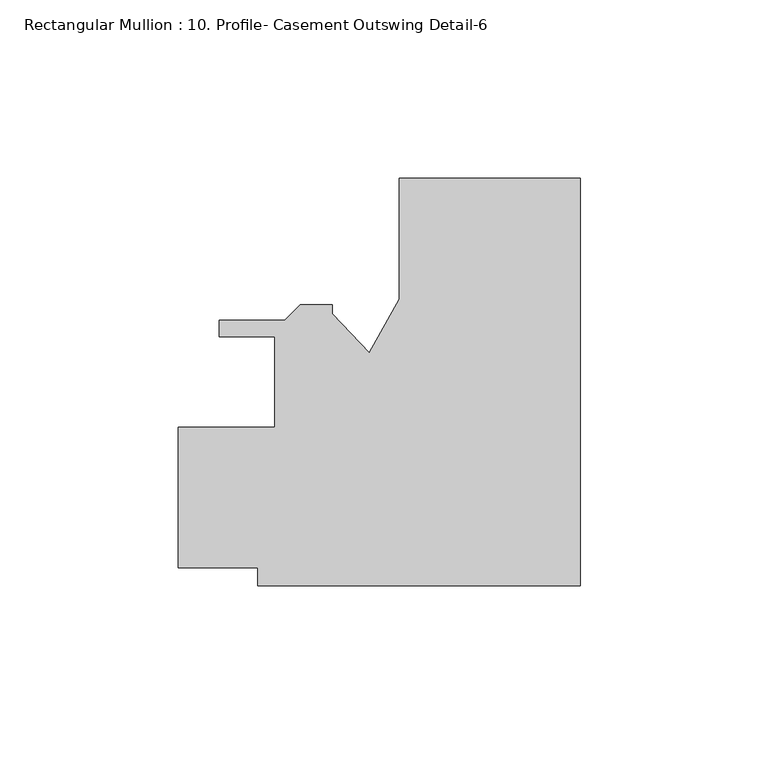
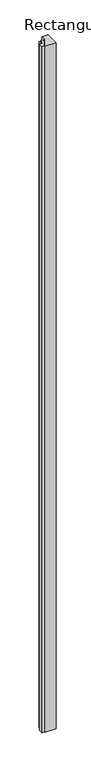
"""IFC4 building model written with IfcOpenShell, lengths in millimetres: member geometry, Rectangular Mullion : 10. Profile- Casement Outswing Detail-6."""

from ifc_helpers import new_model, si_unit, frame, origin, place, context, project, spatial, polyline, outline, extrude, source, transform, mapped, element, save


def rectangular_mullion_10_profile_casement_outswing_detail_6_f799fb54(model_context):
    return source(origin(), model_context, "Body", "SweptSolid", [
        extrude(outline(polyline([(0.0, 57.15), (0.0, -57.1500635), (-90.4875, -57.1500635), (-90.4875, -52.07), (-112.7125, -52.07), (-112.7125, -12.7000002), (-85.7250005, -12.7000002), (-85.7250005, 12.6999999), (-101.2221564, 12.6999999), (-101.2221564, 17.399), (-82.8436417, 17.399), (-78.5764417, 21.6662), (-69.4761495, 21.6662), (-69.4761495, 19.1262001), (-59.1458639, 8.2794003), (-50.8, 23.1902001), (-50.8, 57.15), (0.0, 57.15)])), frame((0.0, 0.0, -6096.0), z_axis=(0.0, 0.0, 1.0), x_axis=(1.0, 0.0, 0.0)), (0.0, 0.0, 1.0), 6096.0),
    ])


if __name__ == "__main__":
    model = new_model("IFC4")
    model_context = context("Model", 3, world=origin())
    ifc_project = project(units=[si_unit("LENGTHUNIT", "METRE", prefix="MILLI")], contexts=[model_context])
    site = spatial("IfcSite", under=ifc_project)
    building = spatial("IfcBuilding", under=site)
    placement = place(None, origin())
    rectangular_mullion_10_profile_casement_outswing_detail_6_shape = rectangular_mullion_10_profile_casement_outswing_detail_6_f799fb54(model_context)
    element("IfcMember", 1, ObjectType="Rectangular Mullion : 10. Profile- Casement Outswing Detail-6", at=placement, inside=building, context=model_context, shape_type="MappedRepresentation", body=[
        mapped(rectangular_mullion_10_profile_casement_outswing_detail_6_shape, transform((0.0, 0.0, 0.0), x_axis=(1.0, 0.0, 0.0), y_axis=(0.0, 1.0, 0.0), z_axis=(0.0, 0.0, 1.0))),
    ])
    save(model, "model.ifc")
